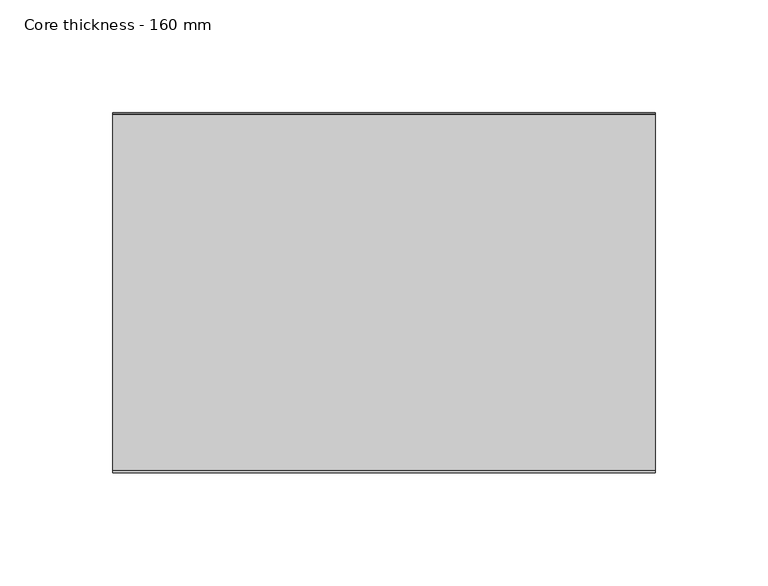
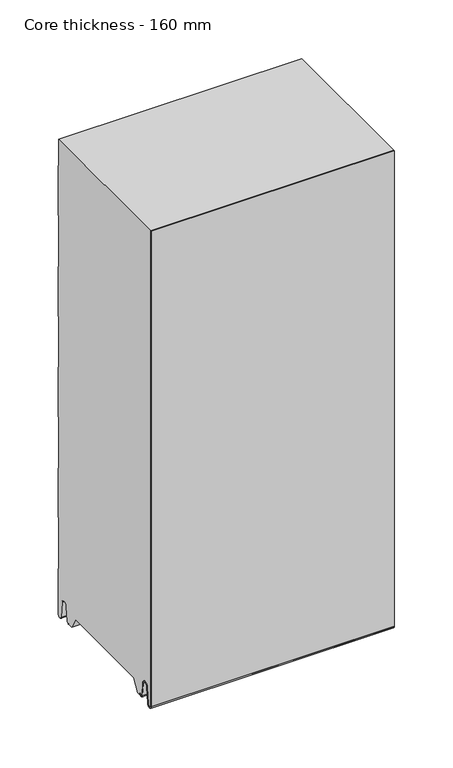
"""IFC4 building model written with IfcOpenShell, lengths in millimetres: plate geometry, Core thickness - 160 mm."""

from ifc_helpers import new_model, si_unit, frame, origin, place, context, project, spatial, polyline, circle_curve, source, transform, mapped, element, save
from ifc_brep_helpers import plane_surface, cylinder_surface, revolved_surface, advanced_brep


def core_thickness_160_mm_a5b267ae(model_context):
    return source(origin(), model_context, "Body", "AdvancedBrep", [
        advanced_brep(
        [(119.9999998, -159.9996949, 3.0900682), (119.9999998, -153.81449, 2.7875612), (119.9999998, -152.197116, 19.2828169), (119.9999998, -149.1776715, 21.9898782), (119.9999998, -146.1582271, 19.2828169), (119.9999998, -144.7725998, 5.1510966), (119.9999998, -140.3830995, 5.365779), (119.9999998, -141.1830995, 5.365779), (119.9999998, -143.9764178, 5.2291629), (119.9999998, -145.3620451, 19.3608832), (119.9999998, -149.1776715, 22.7899182), (119.9999998, -152.9932979, 19.3608832), (119.9999998, -154.6106719, 2.8656275), (119.9999998, -159.1996949, 3.0900682), (119.9999998, -159.2, 500.0), (119.9999998, -159.9996949, 500.0), (-119.9999998, -159.1996949, 3.0900682), (-119.9999998, -154.6106719, 2.8656275), (-119.9999998, -152.9932979, 19.3608832), (-119.9999998, -149.1776715, 22.7899182), (-119.9999998, -145.3620451, 19.3608832), (-119.9999998, -143.9764178, 5.2291629), (-119.9999998, -141.1830995, 5.365779), (-119.9999998, -140.3830995, 5.365779), (-119.9999998, -144.7725998, 5.1510966), (-119.9999998, -146.1582271, 19.2828169), (-119.9999998, -149.1776715, 21.9898782), (-119.9999998, -152.197116, 19.2828169), (-119.9999998, -153.81449, 2.7875612), (-119.9999998, -159.9996949, 3.0900682), (-119.9999998, -159.9996949, 500.0), (-119.9999998, -159.2, 500.0)],
        [
            (0, 1, circle_curve(frame((119.9999998, -156.8996949, 3.0900682), z_axis=(1.0, 0.0, 0.0), x_axis=(0.0, 0.0, -1.0)), 3.1)),
            (1, 2),
            (2, 3, circle_curve(frame((119.9999998, -149.2114338, 18.9900682), z_axis=(-1.0, 0.0, 0.0), x_axis=(0.0, 0.0, -1.0)), 3.0)),
            (3, 4, circle_curve(frame((119.9999998, -149.1439093, 18.9900682), z_axis=(-1.0, 0.0, 0.0), x_axis=(0.0, 0.0, -1.0)), 3.0)),
            (4, 5),
            (5, 6, circle_curve(frame((119.9999998, -142.5830995, 5.365779), z_axis=(1.0, 0.0, 0.0), x_axis=(0.0, 0.0, -1.0)), 2.2)),
            (6, 7),
            (7, 8, circle_curve(frame((119.9999998, -142.5830995, 5.365779), z_axis=(-1.0, 0.0, 0.0), x_axis=(0.0, 0.0, -1.0)), 1.4)),
            (8, 9),
            (9, 10, circle_curve(frame((119.9999998, -149.1439093, 18.9900682), z_axis=(1.0, 0.0, 0.0), x_axis=(0.0, 0.0, -1.0)), 3.8)),
            (10, 11, circle_curve(frame((119.9999998, -149.2114338, 18.9900682), z_axis=(1.0, 0.0, 0.0), x_axis=(0.0, 0.0, -1.0)), 3.8)),
            (11, 12),
            (12, 13, circle_curve(frame((119.9999998, -156.8996949, 3.0900682), z_axis=(-1.0, 0.0, 0.0), x_axis=(0.0, 0.0, -1.0)), 2.3)),
            (13, 14),
            (14, 15),
            (15, 0),
            (16, 17, circle_curve(frame((-119.9999998, -156.8996949, 3.0900682), z_axis=(1.0, 0.0, 0.0), x_axis=(0.0, 0.0, -1.0)), 2.3)),
            (17, 18),
            (18, 19, circle_curve(frame((-119.9999998, -149.2114338, 18.9900682), z_axis=(-1.0, 0.0, 0.0), x_axis=(0.0, 0.0, -1.0)), 3.8)),
            (19, 20, circle_curve(frame((-119.9999998, -149.1439093, 18.9900682), z_axis=(-1.0, 0.0, 0.0), x_axis=(0.0, 0.0, -1.0)), 3.8)),
            (20, 21),
            (21, 22, circle_curve(frame((-119.9999998, -142.5830995, 5.365779), z_axis=(1.0, 0.0, 0.0), x_axis=(0.0, 0.0, -1.0)), 1.4)),
            (22, 23),
            (23, 24, circle_curve(frame((-119.9999998, -142.5830995, 5.365779), z_axis=(-1.0, 0.0, 0.0), x_axis=(0.0, 0.0, -1.0)), 2.2)),
            (24, 25),
            (25, 26, circle_curve(frame((-119.9999998, -149.1439093, 18.9900682), z_axis=(1.0, 0.0, 0.0), x_axis=(0.0, 0.0, -1.0)), 3.0)),
            (26, 27, circle_curve(frame((-119.9999998, -149.2114338, 18.9900682), z_axis=(1.0, 0.0, 0.0), x_axis=(0.0, 0.0, -1.0)), 3.0)),
            (27, 28),
            (28, 29, circle_curve(frame((-119.9999998, -156.8996949, 3.0900682), z_axis=(-1.0, 0.0, 0.0), x_axis=(0.0, 0.0, -1.0)), 3.1)),
            (29, 30),
            (30, 31),
            (31, 16),
            (13, 16),
            (31, 14),
            (12, 17),
            (11, 18),
            (10, 19),
            (9, 20),
            (8, 21),
            (7, 22),
            (6, 23),
            (5, 24),
            (4, 25),
            (3, 26),
            (2, 27),
            (1, 28),
            (0, 29),
            (15, 30),
        ],
        [
            plane_surface(frame((119.9999998, -160.0, 0.0), z_axis=(1.0, 0.0, 0.0), x_axis=(0.0, 1.0, 0.0))),
            plane_surface(frame((-119.9999998, -160.0, 0.0), z_axis=(-1.0, 0.0, 0.0), x_axis=(0.0, 1.0, 0.0))),
            plane_surface(frame((119.9999998, -159.2, 3.0900682), z_axis=(0.0, 1.0, 0.0), x_axis=(-1.0, 0.0, 0.0))),
            revolved_surface(polyline([(-119.9999998, -156.8996949, 0.7900682000000003), (119.9999998, -156.8996949, 0.7900682000000003)]), (119.9999998, -156.8996949, 3.0900682), (-1.0, 0.0, 0.0)),
            plane_surface(frame((119.9999998, -152.9932979, 19.3608832), z_axis=(0.0, -0.9952273999818314, 0.09758289975914787), x_axis=(-1.0, 0.0, 0.0))),
            cylinder_surface(frame((119.9999998, -149.2114338, 18.9900682), z_axis=(1.0, 0.0, 0.0), x_axis=(0.0, 0.0, -1.0)), 3.8),
            cylinder_surface(frame((119.9999998, -149.1439093, 18.9900682), z_axis=(1.0, 0.0, 0.0), x_axis=(0.0, 0.0, -1.0)), 3.8),
            plane_surface(frame((119.9999998, -143.9764178, 5.2291629), z_axis=(0.0, 0.9952273999818297, 0.09758289975916531), x_axis=(-1.0, 0.0, 0.0))),
            revolved_surface(polyline([(-119.9999998, -142.5830995, 3.965779), (119.9999998, -142.5830995, 3.965779)]), (119.9999998, -142.5830995, 5.365779), (-1.0, 0.0, 0.0)),
            plane_surface(frame((119.9999998, -140.3830995, 5.365779), z_axis=(0.0, 0.0, 1.0), x_axis=(-1.0, 0.0, 0.0))),
            cylinder_surface(frame((119.9999998, -142.5830995, 5.365779), z_axis=(1.0, 0.0, 0.0), x_axis=(0.0, 0.0, -1.0)), 2.2),
            plane_surface(frame((119.9999998, -146.1582271, 19.2828169), z_axis=(0.0, -0.9952273999818296, -0.09758289975916527), x_axis=(-1.0, 0.0, 0.0))),
            revolved_surface(polyline([(-119.9999998, -149.1439093, 15.9900682), (119.9999998, -149.1439093, 15.9900682)]), (119.9999998, -149.1439093, 18.9900682), (-1.0, 0.0, 0.0)),
            revolved_surface(polyline([(-119.9999998, -149.2114338, 15.9900682), (119.9999998, -149.2114338, 15.9900682)]), (119.9999998, -149.2114338, 18.9900682), (-1.0, 0.0, 0.0)),
            plane_surface(frame((119.9999998, -153.81449, 2.7875612), z_axis=(0.0, 0.9952273999818314, -0.09758289975914787), x_axis=(-1.0, 0.0, 0.0))),
            cylinder_surface(frame((119.9999998, -156.8996949, 3.0900682), z_axis=(1.0, 0.0, 0.0), x_axis=(0.0, 0.0, -1.0)), 3.1),
            plane_surface(frame((119.9999998, -159.9996949, 993.9000005), z_axis=(0.0, -1.0, 0.0), x_axis=(-1.0, 0.0, 0.0))),
            plane_surface(frame((-119.9999998, 134.0533409, 500.0), z_axis=(0.0, 0.0, 1.0), x_axis=(1.0, 0.0, 0.0))),
        ],
        [
            (0, [[1, 2, 3, 4, 5, 6, 7, 8, 9, 10, 11, 12, 13, 14, 15, 16]]),
            (1, [[17, 18, 19, 20, 21, 22, 23, 24, 25, 26, 27, 28, 29, 30, 31, 32]]),
            (2, [[33, -32, 34, -14]]),
            (3, [[-13, 35, -17, -33]]),
            (4, [[-12, 36, -18, -35]]),
            (5, [[-11, 37, -19, -36]]),
            (6, [[-10, 38, -20, -37]]),
            (7, [[-9, 39, -21, -38]]),
            (8, [[-8, 40, -22, -39]]),
            (9, [[-7, 41, -23, -40]]),
            (10, [[-6, 42, -24, -41]]),
            (11, [[-5, 43, -25, -42]]),
            (12, [[-4, 44, -26, -43]]),
            (13, [[-3, 45, -27, -44]]),
            (14, [[-2, 46, -28, -45]]),
            (15, [[-1, 47, -29, -46]]),
            (16, [[-47, -16, 48, -30]]),
            (17, [[-15, -34, -31, -48]]),
        ],
    ),
        advanced_brep(
        [(119.9999998, -129.873448, 15.1417681), (119.9999998, -30.126552, 15.1417681), (119.9999998, -23.4071318, 3.165779), (119.9999998, -17.4169005, 3.165779), (119.9999998, -19.6169005, 5.365779), (119.9999998, -18.8169005, 5.365779), (119.9999998, -16.0235822, 5.2291629), (119.9999998, -14.6379549, 19.3608832), (119.9999998, -10.8223285, 22.7899182), (119.9999998, -7.0067021, 19.3608832), (119.9999998, -5.3893281, 2.8656275), (119.9999998, -0.8003051, 3.0900682), (119.9999998, -0.8, 49.9459237), (119.9999998, -1.0986697, 50.9973395), (119.9999998, -1.5003051, 52.4177205), (119.9999998, -1.5003051, 102.5775037), (119.9999998, -1.0971009, 103.9969151), (119.9999998, -0.8, 105.0493005), (119.9999998, -0.8, 155.2090837), (119.9999998, -1.0986697, 156.2604995), (119.9999998, -1.5003051, 157.6808805), (119.9999998, -1.5003051, 207.8406637), (119.9999998, -1.0971009, 209.2600751), (119.9999998, -0.8, 210.3124605), (119.9999998, -0.8, 260.4722437), (119.9999998, -1.0986697, 261.5236595), (119.9999998, -1.5003051, 262.9440405), (119.9999998, -1.5003051, 313.1038237), (119.9999998, -1.0971009, 314.5232351), (119.9999998, -0.8, 315.5756205), (119.9999998, -0.8, 365.7354037), (119.9999998, -1.0986697, 366.7868195), (119.9999998, -1.5003051, 368.2072005), (119.9999998, -1.5003051, 418.3669837), (119.9999998, -1.0971009, 419.7863951), (119.9999998, -0.8, 420.8387805), (119.9999998, -0.8, 470.9985637), (119.9999998, -1.0986697, 472.0499795), (119.9999998, -1.5003051, 473.4703605), (119.9999998, -1.5003051, 500.0), (119.9999998, -159.2, 500.0), (119.9999998, -159.2, 3.0900682), (119.9999998, -154.6106719, 2.8656275), (119.9999998, -152.9932979, 19.3608832), (119.9999998, -149.1776715, 22.7899182), (119.9999998, -145.3620451, 19.3608832), (119.9999998, -143.9764178, 5.2291629), (119.9999998, -141.1830995, 5.365779), (119.9999998, -140.3830995, 5.365779), (119.9999998, -142.5830995, 3.165779), (119.9999998, -136.5928682, 3.165779), (-119.9999998, -30.126552, 15.1417681), (-119.9999998, -129.873448, 15.1417681), (-119.9999998, -136.5928682, 3.165779), (-119.9999998, -142.5830995, 3.165779), (-119.9999998, -140.3830995, 5.365779), (-119.9999998, -141.1830995, 5.365779), (-119.9999998, -143.9764178, 5.2291629), (-119.9999998, -145.3620451, 19.3608832), (-119.9999998, -149.1776715, 22.7899182), (-119.9999998, -152.9932979, 19.3608832), (-119.9999998, -154.6106719, 2.8656275), (-119.9999998, -159.1996949, 3.0900682), (-119.9999998, -159.2, 500.0), (-119.9999998, -1.5003051, 500.0), (-119.9999998, -1.5003051, 473.4703605), (-119.9999998, -1.0971009, 472.0509491), (-119.9999998, -0.8, 470.9985637), (-119.9999998, -0.8, 420.8387805), (-119.9999998, -1.0986697, 419.7873646), (-119.9999998, -1.5003051, 418.3669837), (-119.9999998, -1.5003051, 368.2072005), (-119.9999998, -1.0971009, 366.7877891), (-119.9999998, -0.8, 365.7354037), (-119.9999998, -0.8, 315.5756205), (-119.9999998, -1.0986697, 314.5242046), (-119.9999998, -1.5003051, 313.1038237), (-119.9999998, -1.5003051, 262.9440405), (-119.9999998, -1.0971009, 261.5246291), (-119.9999998, -0.8, 260.4722437), (-119.9999998, -0.8, 210.3124605), (-119.9999998, -1.0986697, 209.2610446), (-119.9999998, -1.5003051, 207.8406637), (-119.9999998, -1.5003051, 157.6808805), (-119.9999998, -1.0971009, 156.2614691), (-119.9999998, -0.8, 155.2090837), (-119.9999998, -0.8, 105.0493005), (-119.9999998, -1.0986697, 103.9978846), (-119.9999998, -1.5003051, 102.5775037), (-119.9999998, -1.5003051, 52.4177205), (-119.9999998, -1.0971009, 50.9983091), (-119.9999998, -0.8, 49.9459237), (-119.9999998, -0.8, 3.0900682), (-119.9999998, -5.3893281, 2.8656275), (-119.9999998, -7.0067021, 19.3608832), (-119.9999998, -10.8223285, 22.7899182), (-119.9999998, -14.6379549, 19.3608832), (-119.9999998, -16.0235822, 5.2291629), (-119.9999998, -18.8169005, 5.365779), (-119.9999998, -19.6169005, 5.365779), (-119.9999998, -17.4169005, 3.165779), (-119.9999998, -23.4071318, 3.165779)],
        [
            (0, 1),
            (1, 2),
            (2, 3),
            (3, 4, circle_curve(frame((119.9999998, -17.4169005, 5.365779), z_axis=(-1.0, 0.0, 0.0), x_axis=(0.0, 0.0, -1.0)), 2.2)),
            (4, 5),
            (5, 6, circle_curve(frame((119.9999998, -17.4169005, 5.365779), z_axis=(1.0, 0.0, 0.0), x_axis=(0.0, 0.0, -1.0)), 1.4)),
            (6, 7),
            (7, 8, circle_curve(frame((119.9999998, -10.8560907, 18.9900682), z_axis=(-1.0, 0.0, 0.0), x_axis=(0.0, 0.0, -1.0)), 3.8)),
            (8, 9, circle_curve(frame((119.9999998, -10.7885662, 18.9900682), z_axis=(-1.0, 0.0, 0.0), x_axis=(0.0, 0.0, -1.0)), 3.8)),
            (9, 10),
            (10, 11, circle_curve(frame((119.9999998, -3.1003051, 3.0900682), z_axis=(1.0, 0.0, 0.0), x_axis=(0.0, 0.0, -1.0)), 2.3)),
            (11, 12),
            (12, 13, circle_curve(frame((119.9999998, -2.8, 49.9459237), z_axis=(1.0, 0.0, 0.0), x_axis=(0.0, 0.0, -1.0)), 2.0)),
            (13, 14, circle_curve(frame((119.9999998, 1.1996949, 52.4177205), z_axis=(-1.0, 0.0, 0.0), x_axis=(0.0, 0.0, -1.0)), 2.7)),
            (14, 15),
            (15, 16, circle_curve(frame((119.9999998, 1.1996949, 102.5775037), z_axis=(-1.0, 0.0, 0.0), x_axis=(0.0, 0.0, -1.0)), 2.7)),
            (16, 17, circle_curve(frame((119.9999998, -2.8, 105.0493005), z_axis=(1.0, 0.0, 0.0), x_axis=(0.0, 0.0, -1.0)), 2.0)),
            (17, 18),
            (18, 19, circle_curve(frame((119.9999998, -2.8, 155.2090837), z_axis=(1.0, 0.0, 0.0), x_axis=(0.0, 0.0, -1.0)), 2.0)),
            (19, 20, circle_curve(frame((119.9999998, 1.1996949, 157.6808805), z_axis=(-1.0, 0.0, 0.0), x_axis=(0.0, 0.0, -1.0)), 2.7)),
            (20, 21),
            (21, 22, circle_curve(frame((119.9999998, 1.1996949, 207.8406637), z_axis=(-1.0, 0.0, 0.0), x_axis=(0.0, 0.0, -1.0)), 2.7)),
            (22, 23, circle_curve(frame((119.9999998, -2.8, 210.3124605), z_axis=(1.0, 0.0, 0.0), x_axis=(0.0, 0.0, -1.0)), 2.0)),
            (23, 24),
            (24, 25, circle_curve(frame((119.9999998, -2.8, 260.4722437), z_axis=(1.0, 0.0, 0.0), x_axis=(0.0, 0.0, -1.0)), 2.0)),
            (25, 26, circle_curve(frame((119.9999998, 1.1996949, 262.9440405), z_axis=(-1.0, 0.0, 0.0), x_axis=(0.0, 0.0, -1.0)), 2.7)),
            (26, 27),
            (27, 28, circle_curve(frame((119.9999998, 1.1996949, 313.1038237), z_axis=(-1.0, 0.0, 0.0), x_axis=(0.0, 0.0, -1.0)), 2.7)),
            (28, 29, circle_curve(frame((119.9999998, -2.8, 315.5756205), z_axis=(1.0, 0.0, 0.0), x_axis=(0.0, 0.0, -1.0)), 2.0)),
            (29, 30),
            (30, 31, circle_curve(frame((119.9999998, -2.8, 365.7354037), z_axis=(1.0, 0.0, 0.0), x_axis=(0.0, 0.0, -1.0)), 2.0)),
            (31, 32, circle_curve(frame((119.9999998, 1.1996949, 368.2072005), z_axis=(-1.0, 0.0, 0.0), x_axis=(0.0, 0.0, -1.0)), 2.7)),
            (32, 33),
            (33, 34, circle_curve(frame((119.9999998, 1.1996949, 418.3669837), z_axis=(-1.0, 0.0, 0.0), x_axis=(0.0, 0.0, -1.0)), 2.7)),
            (34, 35, circle_curve(frame((119.9999998, -2.8, 420.8387805), z_axis=(1.0, 0.0, 0.0), x_axis=(0.0, 0.0, -1.0)), 2.0)),
            (35, 36),
            (36, 37, circle_curve(frame((119.9999998, -2.8, 470.9985637), z_axis=(1.0, 0.0, 0.0), x_axis=(0.0, 0.0, -1.0)), 2.0)),
            (37, 38, circle_curve(frame((119.9999998, 1.1996949, 473.4703605), z_axis=(-1.0, 0.0, 0.0), x_axis=(0.0, 0.0, -1.0)), 2.7)),
            (38, 39),
            (39, 40),
            (40, 41),
            (41, 42, circle_curve(frame((119.9999998, -156.8996949, 3.0900682), z_axis=(1.0, 0.0, 0.0), x_axis=(0.0, 0.0, -1.0)), 2.3)),
            (42, 43),
            (43, 44, circle_curve(frame((119.9999998, -149.2114338, 18.9900682), z_axis=(-1.0, 0.0, 0.0), x_axis=(0.0, 0.0, -1.0)), 3.8)),
            (44, 45, circle_curve(frame((119.9999998, -149.1439093, 18.9900682), z_axis=(-1.0, 0.0, 0.0), x_axis=(0.0, 0.0, -1.0)), 3.8)),
            (45, 46),
            (46, 47, circle_curve(frame((119.9999998, -142.5830995, 5.365779), z_axis=(1.0, 0.0, 0.0), x_axis=(0.0, 0.0, -1.0)), 1.4)),
            (47, 48),
            (48, 49, circle_curve(frame((119.9999998, -142.5830995, 5.365779), z_axis=(-1.0, 0.0, 0.0), x_axis=(0.0, 0.0, -1.0)), 2.2)),
            (49, 50),
            (50, 0),
            (51, 52),
            (52, 53),
            (53, 54),
            (54, 55, circle_curve(frame((-119.9999998, -142.5830995, 5.365779), z_axis=(1.0, 0.0, 0.0), x_axis=(0.0, 0.0, -1.0)), 2.2)),
            (55, 56),
            (56, 57, circle_curve(frame((-119.9999998, -142.5830995, 5.365779), z_axis=(-1.0, 0.0, 0.0), x_axis=(0.0, 0.0, -1.0)), 1.4)),
            (57, 58),
            (58, 59, circle_curve(frame((-119.9999998, -149.1439093, 18.9900682), z_axis=(1.0, 0.0, 0.0), x_axis=(0.0, 0.0, -1.0)), 3.8)),
            (59, 60, circle_curve(frame((-119.9999998, -149.2114338, 18.9900682), z_axis=(1.0, 0.0, 0.0), x_axis=(0.0, 0.0, -1.0)), 3.8)),
            (60, 61),
            (61, 62, circle_curve(frame((-119.9999998, -156.8996949, 3.0900682), z_axis=(-1.0, 0.0, 0.0), x_axis=(0.0, 0.0, -1.0)), 2.3)),
            (62, 63),
            (63, 64),
            (64, 65),
            (65, 66, circle_curve(frame((-119.9999998, 1.1996949, 473.4703605), z_axis=(1.0, 0.0, 0.0), x_axis=(0.0, 0.0, -1.0)), 2.7)),
            (66, 67, circle_curve(frame((-119.9999998, -2.8, 470.9985637), z_axis=(-1.0, 0.0, 0.0), x_axis=(0.0, 0.0, -1.0)), 2.0)),
            (67, 68),
            (68, 69, circle_curve(frame((-119.9999998, -2.8, 420.8387805), z_axis=(-1.0, 0.0, 0.0), x_axis=(0.0, 0.0, -1.0)), 2.0)),
            (69, 70, circle_curve(frame((-119.9999998, 1.1996949, 418.3669837), z_axis=(1.0, 0.0, 0.0), x_axis=(0.0, 0.0, -1.0)), 2.7)),
            (70, 71),
            (71, 72, circle_curve(frame((-119.9999998, 1.1996949, 368.2072005), z_axis=(1.0, 0.0, 0.0), x_axis=(0.0, 0.0, -1.0)), 2.7)),
            (72, 73, circle_curve(frame((-119.9999998, -2.8, 365.7354037), z_axis=(-1.0, 0.0, 0.0), x_axis=(0.0, 0.0, -1.0)), 2.0)),
            (73, 74),
            (74, 75, circle_curve(frame((-119.9999998, -2.8, 315.5756205), z_axis=(-1.0, 0.0, 0.0), x_axis=(0.0, 0.0, -1.0)), 2.0)),
            (75, 76, circle_curve(frame((-119.9999998, 1.1996949, 313.1038237), z_axis=(1.0, 0.0, 0.0), x_axis=(0.0, 0.0, -1.0)), 2.7)),
            (76, 77),
            (77, 78, circle_curve(frame((-119.9999998, 1.1996949, 262.9440405), z_axis=(1.0, 0.0, 0.0), x_axis=(0.0, 0.0, -1.0)), 2.7)),
            (78, 79, circle_curve(frame((-119.9999998, -2.8, 260.4722437), z_axis=(-1.0, 0.0, 0.0), x_axis=(0.0, 0.0, -1.0)), 2.0)),
            (79, 80),
            (80, 81, circle_curve(frame((-119.9999998, -2.8, 210.3124605), z_axis=(-1.0, 0.0, 0.0), x_axis=(0.0, 0.0, -1.0)), 2.0)),
            (81, 82, circle_curve(frame((-119.9999998, 1.1996949, 207.8406637), z_axis=(1.0, 0.0, 0.0), x_axis=(0.0, 0.0, -1.0)), 2.7)),
            (82, 83),
            (83, 84, circle_curve(frame((-119.9999998, 1.1996949, 157.6808805), z_axis=(1.0, 0.0, 0.0), x_axis=(0.0, 0.0, -1.0)), 2.7)),
            (84, 85, circle_curve(frame((-119.9999998, -2.8, 155.2090837), z_axis=(-1.0, 0.0, 0.0), x_axis=(0.0, 0.0, -1.0)), 2.0)),
            (85, 86),
            (86, 87, circle_curve(frame((-119.9999998, -2.8, 105.0493005), z_axis=(-1.0, 0.0, 0.0), x_axis=(0.0, 0.0, -1.0)), 2.0)),
            (87, 88, circle_curve(frame((-119.9999998, 1.1996949, 102.5775037), z_axis=(1.0, 0.0, 0.0), x_axis=(0.0, 0.0, -1.0)), 2.7)),
            (88, 89),
            (89, 90, circle_curve(frame((-119.9999998, 1.1996949, 52.4177205), z_axis=(1.0, 0.0, 0.0), x_axis=(0.0, 0.0, -1.0)), 2.7)),
            (90, 91, circle_curve(frame((-119.9999998, -2.8, 49.9459237), z_axis=(-1.0, 0.0, 0.0), x_axis=(0.0, 0.0, -1.0)), 2.0)),
            (91, 92),
            (92, 93, circle_curve(frame((-119.9999998, -3.1003051, 3.0900682), z_axis=(-1.0, 0.0, 0.0), x_axis=(0.0, 0.0, -1.0)), 2.3)),
            (93, 94),
            (94, 95, circle_curve(frame((-119.9999998, -10.7885662, 18.9900682), z_axis=(1.0, 0.0, 0.0), x_axis=(0.0, 0.0, -1.0)), 3.8)),
            (95, 96, circle_curve(frame((-119.9999998, -10.8560907, 18.9900682), z_axis=(1.0, 0.0, 0.0), x_axis=(0.0, 0.0, -1.0)), 3.8)),
            (96, 97),
            (97, 98, circle_curve(frame((-119.9999998, -17.4169005, 5.365779), z_axis=(-1.0, 0.0, 0.0), x_axis=(0.0, 0.0, -1.0)), 1.4)),
            (98, 99),
            (99, 100, circle_curve(frame((-119.9999998, -17.4169005, 5.365779), z_axis=(1.0, 0.0, 0.0), x_axis=(0.0, 0.0, -1.0)), 2.2)),
            (100, 101),
            (101, 51),
            (1, 51),
            (101, 2),
            (0, 52),
            (50, 53),
            (99, 4),
            (3, 100),
            (98, 5),
            (97, 6),
            (96, 7),
            (95, 8),
            (94, 9),
            (93, 10),
            (92, 11),
            (91, 12),
            (90, 13),
            (89, 14),
            (88, 15),
            (87, 16),
            (86, 17),
            (85, 18),
            (84, 19),
            (83, 20),
            (82, 21),
            (81, 22),
            (80, 23),
            (79, 24),
            (78, 25),
            (77, 26),
            (76, 27),
            (75, 28),
            (74, 29),
            (73, 30),
            (72, 31),
            (71, 32),
            (70, 33),
            (69, 34),
            (68, 35),
            (67, 36),
            (66, 37),
            (65, 38),
            (64, 39),
            (62, 41),
            (40, 63),
            (61, 42),
            (60, 43),
            (59, 44),
            (58, 45),
            (57, 46),
            (56, 47),
            (55, 48),
            (54, 49),
        ],
        [
            plane_surface(frame((119.9999998, 0.0, 0.0), z_axis=(1.0, 0.0, 0.0), x_axis=(0.0, -1.0, 0.0))),
            plane_surface(frame((-119.9999998, 0.0, 0.0), z_axis=(-1.0, 0.0, 0.0), x_axis=(0.0, -1.0, 0.0))),
            plane_surface(frame((119.9999998, -30.126552, 15.1417681), z_axis=(0.0, -0.8721062992196836, -0.4893164649399687), x_axis=(-1.0, 0.0, 0.0))),
            plane_surface(frame((119.9999998, -129.873448, 15.1417681), z_axis=(0.0, 0.0, -1.0), x_axis=(-1.0, 0.0, 0.0))),
            plane_surface(frame((119.9999998, -136.8190247, 2.7627014), z_axis=(0.0, 0.8721062992196852, -0.48931646493996606), x_axis=(-1.0, 0.0, 0.0))),
            revolved_surface(polyline([(119.99999980000001, -17.4169005, 3.1657789999999997), (-119.99999980000001, -17.4169005, 3.1657789999999997)]), (249.9999998, -17.4169005, 5.365779), (1.0, 0.0, 0.0)),
            plane_surface(frame((249.9999998, -18.8169005, 5.365779), z_axis=(0.0, 0.0, -1.0), x_axis=(-1.0, 0.0, 0.0))),
            cylinder_surface(frame((249.9999998, -17.4169005, 5.365779), z_axis=(-1.0, 0.0, 0.0), x_axis=(0.0, 0.0, -1.0)), 1.4),
            plane_surface(frame((249.9999998, -14.6379549, 19.3608832), z_axis=(0.0, 0.9952273999818297, -0.09758289975916531), x_axis=(-1.0, 0.0, 0.0))),
            revolved_surface(polyline([(119.99999980000001, -10.8560907, 15.190068199999999), (-119.99999980000001, -10.8560907, 15.190068199999999)]), (249.9999998, -10.8560907, 18.9900682), (1.0, 0.0, 0.0)),
            revolved_surface(polyline([(119.99999980000001, -10.7885662, 15.190068199999999), (-119.99999980000001, -10.7885662, 15.190068199999999)]), (249.9999998, -10.7885662, 18.9900682), (1.0, 0.0, 0.0)),
            plane_surface(frame((249.9999998, -5.3893281, 2.8656275), z_axis=(0.0, -0.9952273999818314, -0.09758289975914787), x_axis=(-1.0, 0.0, 0.0))),
            cylinder_surface(frame((249.9999998, -3.1003051, 3.0900682), z_axis=(-1.0, 0.0, 0.0), x_axis=(0.0, 0.0, -1.0)), 2.3),
            plane_surface(frame((249.9999998, -0.8, 49.9459237), z_axis=(0.0, 1.0, 0.0), x_axis=(-1.0, 0.0, 0.0))),
            cylinder_surface(frame((249.9999998, -2.8, 49.9459237), z_axis=(-1.0, 0.0, 0.0), x_axis=(0.0, 0.0, -1.0)), 2.0),
            revolved_surface(polyline([(119.99999980000001, 1.1996949, 49.7177205), (-119.99999980000001, 1.1996949, 49.7177205)]), (249.9999998, 1.1996949, 52.4177205), (1.0, 0.0, 0.0)),
            plane_surface(frame((249.9999998, -1.5003051, 102.5775037), z_axis=(0.0, 1.0, 0.0), x_axis=(-1.0, 0.0, 0.0))),
            revolved_surface(polyline([(119.99999980000001, 1.1996949, 99.87750369999999), (-119.99999980000001, 1.1996949, 99.87750369999999)]), (249.9999998, 1.1996949, 102.5775037), (1.0, 0.0, 0.0)),
            cylinder_surface(frame((249.9999998, -2.8, 105.0493005), z_axis=(-1.0, 0.0, 0.0), x_axis=(0.0, 0.0, -1.0)), 2.0),
            plane_surface(frame((249.9999998, -0.8, 155.2090837), z_axis=(0.0, 1.0, 0.0), x_axis=(-1.0, 0.0, 0.0))),
            cylinder_surface(frame((249.9999998, -2.8, 155.2090837), z_axis=(-1.0, 0.0, 0.0), x_axis=(0.0, 0.0, -1.0)), 2.0),
            revolved_surface(polyline([(119.99999980000001, 1.1996949, 154.9808805), (-119.99999980000001, 1.1996949, 154.9808805)]), (249.9999998, 1.1996949, 157.6808805), (1.0, 0.0, 0.0)),
            plane_surface(frame((249.9999998, -1.5003051, 207.8406637), z_axis=(0.0, 1.0, 0.0), x_axis=(-1.0, 0.0, 0.0))),
            revolved_surface(polyline([(119.99999980000001, 1.1996949, 205.1406637), (-119.99999980000001, 1.1996949, 205.1406637)]), (249.9999998, 1.1996949, 207.8406637), (1.0, 0.0, 0.0)),
            cylinder_surface(frame((249.9999998, -2.8, 210.3124605), z_axis=(-1.0, 0.0, 0.0), x_axis=(0.0, 0.0, -1.0)), 2.0),
            plane_surface(frame((249.9999998, -0.8, 260.4722437), z_axis=(0.0, 1.0, 0.0), x_axis=(-1.0, 0.0, 0.0))),
            cylinder_surface(frame((249.9999998, -2.8, 260.4722437), z_axis=(-1.0, 0.0, 0.0), x_axis=(0.0, 0.0, -1.0)), 2.0),
            revolved_surface(polyline([(119.99999980000001, 1.1996949, 260.24404050000004), (-119.99999980000001, 1.1996949, 260.24404050000004)]), (249.9999998, 1.1996949, 262.9440405), (1.0, 0.0, 0.0)),
            plane_surface(frame((249.9999998, -1.5003051, 313.1038237), z_axis=(0.0, 1.0, 0.0), x_axis=(-1.0, 0.0, 0.0))),
            revolved_surface(polyline([(119.99999980000001, 1.1996949, 310.40382370000003), (-119.99999980000001, 1.1996949, 310.40382370000003)]), (249.9999998, 1.1996949, 313.1038237), (1.0, 0.0, 0.0)),
            cylinder_surface(frame((249.9999998, -2.8, 315.5756205), z_axis=(-1.0, 0.0, 0.0), x_axis=(0.0, 0.0, -1.0)), 2.0),
            plane_surface(frame((249.9999998, -0.8, 365.7354037), z_axis=(0.0, 1.0, 0.0), x_axis=(-1.0, 0.0, 0.0))),
            cylinder_surface(frame((249.9999998, -2.8, 365.7354037), z_axis=(-1.0, 0.0, 0.0), x_axis=(0.0, 0.0, -1.0)), 2.0),
            revolved_surface(polyline([(119.99999980000001, 1.1996949, 365.5072005), (-119.99999980000001, 1.1996949, 365.5072005)]), (249.9999998, 1.1996949, 368.2072005), (1.0, 0.0, 0.0)),
            plane_surface(frame((249.9999998, -1.5003051, 418.3669837), z_axis=(0.0, 1.0, 0.0), x_axis=(-1.0, 0.0, 0.0))),
            revolved_surface(polyline([(119.99999980000001, 1.1996949, 415.6669837), (-119.99999980000001, 1.1996949, 415.6669837)]), (249.9999998, 1.1996949, 418.3669837), (1.0, 0.0, 0.0)),
            cylinder_surface(frame((249.9999998, -2.8, 420.8387805), z_axis=(-1.0, 0.0, 0.0), x_axis=(0.0, 0.0, -1.0)), 2.0),
            plane_surface(frame((249.9999998, -0.8, 470.9985637), z_axis=(0.0, 1.0, 0.0), x_axis=(-1.0, 0.0, 0.0))),
            cylinder_surface(frame((249.9999998, -2.8, 470.9985637), z_axis=(-1.0, 0.0, 0.0), x_axis=(0.0, 0.0, -1.0)), 2.0),
            revolved_surface(polyline([(119.99999980000001, 1.1996949, 470.77036050000004), (-119.99999980000001, 1.1996949, 470.77036050000004)]), (249.9999998, 1.1996949, 473.4703605), (1.0, 0.0, 0.0)),
            plane_surface(frame((249.9999998, -1.5003051, 523.6301437), z_axis=(0.0, 1.0, 0.0), x_axis=(-1.0, 0.0, 0.0))),
            plane_surface(frame((249.9999998, -159.2, 3.0900682), z_axis=(0.0, -1.0, 0.0), x_axis=(-1.0, 0.0, 0.0))),
            cylinder_surface(frame((249.9999998, -156.8996949, 3.0900682), z_axis=(-1.0, 0.0, 0.0), x_axis=(0.0, 0.0, -1.0)), 2.3),
            plane_surface(frame((249.9999998, -152.9932979, 19.3608832), z_axis=(0.0, 0.9952273999818314, -0.09758289975914787), x_axis=(-1.0, 0.0, 0.0))),
            revolved_surface(polyline([(119.99999980000001, -149.2114338, 15.190068199999999), (-119.99999980000001, -149.2114338, 15.190068199999999)]), (249.9999998, -149.2114338, 18.9900682), (1.0, 0.0, 0.0)),
            revolved_surface(polyline([(119.99999980000001, -149.1439093, 15.190068199999999), (-119.99999980000001, -149.1439093, 15.190068199999999)]), (249.9999998, -149.1439093, 18.9900682), (1.0, 0.0, 0.0)),
            plane_surface(frame((249.9999998, -143.9764178, 5.2291629), z_axis=(0.0, -0.9952273999818297, -0.09758289975916531), x_axis=(-1.0, 0.0, 0.0))),
            cylinder_surface(frame((249.9999998, -142.5830995, 5.365779), z_axis=(-1.0, 0.0, 0.0), x_axis=(0.0, 0.0, -1.0)), 1.4),
            plane_surface(frame((249.9999998, -140.3830995, 5.365779), z_axis=(0.0, 0.0, -1.0), x_axis=(-1.0, 0.0, 0.0))),
            revolved_surface(polyline([(119.99999980000001, -142.5830995, 3.1657789999999997), (-119.99999980000001, -142.5830995, 3.1657789999999997)]), (249.9999998, -142.5830995, 5.365779), (1.0, 0.0, 0.0)),
            plane_surface(frame((-119.9999998, -142.5830995, 3.165779), z_axis=(0.0, 0.0, -1.0), x_axis=(1.0, 0.0, 0.0))),
            plane_surface(frame((-119.9999998, 134.0533409, 500.0), z_axis=(0.0, 0.0, 1.0), x_axis=(1.0, 0.0, 0.0))),
        ],
        [
            (0, [[1, 2, 3, 4, 5, 6, 7, 8, 9, 10, 11, 12, 13, 14, 15, 16, 17, 18, 19, 20, 21, 22, 23, 24, 25, 26, 27, 28, 29, 30, 31, 32, 33, 34, 35, 36, 37, 38, 39, 40, 41, 42, 43, 44, 45, 46, 47, 48, 49, 50, 51]]),
            (1, [[52, 53, 54, 55, 56, 57, 58, 59, 60, 61, 62, 63, 64, 65, 66, 67, 68, 69, 70, 71, 72, 73, 74, 75, 76, 77, 78, 79, 80, 81, 82, 83, 84, 85, 86, 87, 88, 89, 90, 91, 92, 93, 94, 95, 96, 97, 98, 99, 100, 101, 102]]),
            (2, [[103, -102, 104, -2]]),
            (3, [[-1, 105, -52, -103]]),
            (4, [[-105, -51, 106, -53]]),
            (5, [[107, -4, 108, -100]]),
            (6, [[-107, -99, 109, -5]]),
            (7, [[-109, -98, 110, -6]]),
            (8, [[-110, -97, 111, -7]]),
            (9, [[-111, -96, 112, -8]]),
            (10, [[-112, -95, 113, -9]]),
            (11, [[-113, -94, 114, -10]]),
            (12, [[-114, -93, 115, -11]]),
            (13, [[-115, -92, 116, -12]]),
            (14, [[-116, -91, 117, -13]]),
            (15, [[-117, -90, 118, -14]]),
            (16, [[-118, -89, 119, -15]]),
            (17, [[-119, -88, 120, -16]]),
            (18, [[-120, -87, 121, -17]]),
            (19, [[-121, -86, 122, -18]]),
            (20, [[-122, -85, 123, -19]]),
            (21, [[-123, -84, 124, -20]]),
            (22, [[-124, -83, 125, -21]]),
            (23, [[-125, -82, 126, -22]]),
            (24, [[-126, -81, 127, -23]]),
            (25, [[-127, -80, 128, -24]]),
            (26, [[-128, -79, 129, -25]]),
            (27, [[-129, -78, 130, -26]]),
            (28, [[-130, -77, 131, -27]]),
            (29, [[-131, -76, 132, -28]]),
            (30, [[-132, -75, 133, -29]]),
            (31, [[-133, -74, 134, -30]]),
            (32, [[-134, -73, 135, -31]]),
            (33, [[-135, -72, 136, -32]]),
            (34, [[-136, -71, 137, -33]]),
            (35, [[-137, -70, 138, -34]]),
            (36, [[-138, -69, 139, -35]]),
            (37, [[-139, -68, 140, -36]]),
            (38, [[-140, -67, 141, -37]]),
            (39, [[-141, -66, 142, -38]]),
            (40, [[-142, -65, 143, -39]]),
            (41, [[144, -41, 145, -63]]),
            (42, [[-144, -62, 146, -42]]),
            (43, [[-146, -61, 147, -43]]),
            (44, [[-147, -60, 148, -44]]),
            (45, [[-148, -59, 149, -45]]),
            (46, [[-149, -58, 150, -46]]),
            (47, [[-150, -57, 151, -47]]),
            (48, [[-151, -56, 152, -48]]),
            (49, [[-152, -55, 153, -49]]),
            (50, [[-3, -104, -101, -108]]),
            (50, [[-50, -153, -54, -106]]),
            (51, [[-143, -64, -145, -40]]),
        ],
    ),
    ])


if __name__ == "__main__":
    model = new_model("IFC4")
    model_context = context("Model", 3, world=origin())
    ifc_project = project(units=[si_unit("LENGTHUNIT", "METRE", prefix="MILLI")], contexts=[model_context])
    site = spatial("IfcSite", under=ifc_project)
    building = spatial("IfcBuilding", under=site)
    placement = place(None, origin())
    core_thickness_160_mm_shape = core_thickness_160_mm_a5b267ae(model_context)
    element("IfcPlate", 1, ObjectType="Core thickness - 160 mm", at=placement, inside=building, context=model_context, shape_type="MappedRepresentation", body=[
        mapped(core_thickness_160_mm_shape, transform((0.0, 0.0, 0.0), x_axis=(1.0, 0.0, 0.0), y_axis=(0.0, 1.0, 0.0), z_axis=(0.0, 0.0, 1.0))),
    ])
    save(model, "model.ifc")
